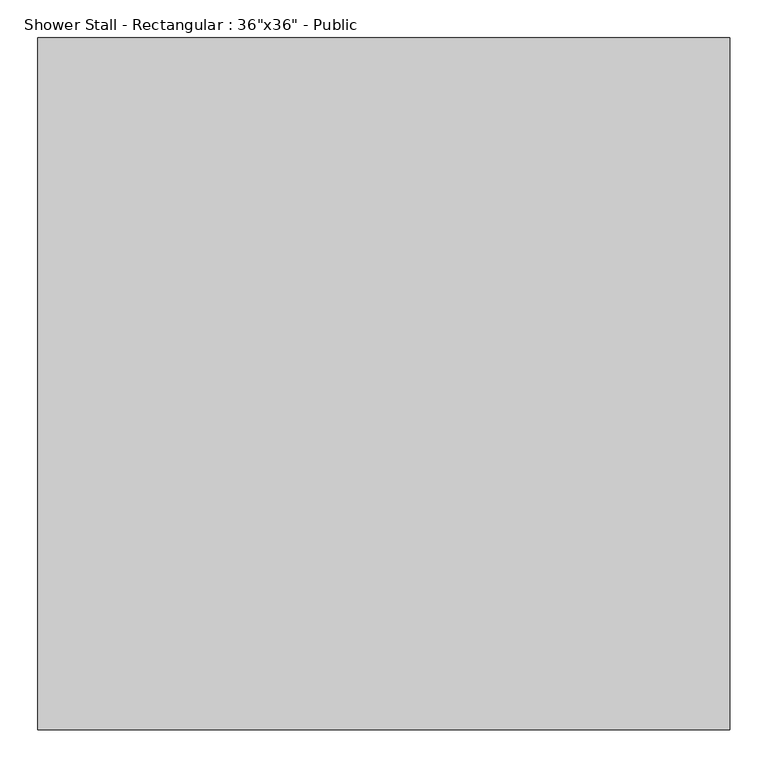
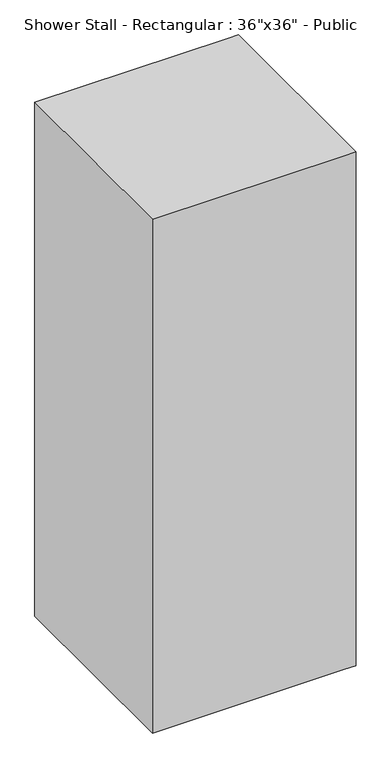
"""IFC4 building model written with IfcOpenShell, lengths in millimetres: flow terminal geometry."""

import ifcopenshell
import ifcopenshell.guid

model = None  # the IFC model being written
_history = None  # IfcOwnerHistory: only IFC2X3 demands one
_inside = {}  # id of a spatial element -> (the spatial element, [elements in it])
_under = {}  # id of a project, library or spatial element -> (it, [spatial elements below it])
_declared = {}  # id of a project -> (the project, [libraries it declares])
_typed = {}  # id of a type object -> (the type object, [elements of that type])
_made_of = {}  # id of a material, layer set ... -> (it, [elements and type objects made of it])


def new_model(schema):
    """Start an empty IFC model of exactly this schema.

    Asked for "IFC4X3", IfcOpenShell would pick the latest addendum, in which some entities
    have other attributes; the version numbers below select the first issue.
    IFC2X3 requires an IfcOwnerHistory on every rooted entity: one is made here for all.
    """
    global model, _history
    if schema == "IFC4X3":
        model = ifcopenshell.file(schema_version=(4, 3, 0, 0))
    else:
        model = ifcopenshell.file(schema=schema)
    _inside.clear()
    _under.clear()
    _declared.clear()
    _typed.clear()
    _made_of.clear()
    _history = None
    if model.schema == "IFC2X3":
        org = make("IfcOrganization", Name="unknown")
        user = make(
            "IfcPersonAndOrganization",
            ThePerson=make("IfcPerson", FamilyName="unknown"),
            TheOrganization=org,
        )
        app = make(
            "IfcApplication",
            ApplicationDeveloper=org,
            Version="unknown",
            ApplicationFullName="unknown",
            ApplicationIdentifier="unknown",
        )
        _history = make(
            "IfcOwnerHistory",
            OwningUser=user,
            OwningApplication=app,
            ChangeAction="ADDED",
            CreationDate=0,
        )
    return model


def make(cls, **values):
    """One entity of the class cls with the attributes given. An attribute that is None is left unset."""
    return model.create_entity(
        cls, **{name: value for name, value in values.items() if value is not None}
    )


def rooted(cls, **values):
    """An entity with a GlobalId (a new one), such as an element, a storey or a relation."""
    return make(cls, GlobalId=ifcopenshell.guid.new(), OwnerHistory=_history, **values)


def si_unit(unit_type, name, prefix=None):
    """IfcSIUnit, for example si_unit("LENGTHUNIT", "METRE", prefix="MILLI")."""
    return make("IfcSIUnit", UnitType=unit_type, Prefix=prefix, Name=name)


def assignment(units):
    """IfcUnitAssignment: the units of a project."""
    return None if units is None else make("IfcUnitAssignment", Units=units)


def point(xyz):
    """IfcCartesianPoint."""
    return None if xyz is None else make("IfcCartesianPoint", Coordinates=xyz)


def direction(xyz):
    """IfcDirection."""
    return None if xyz is None else make("IfcDirection", DirectionRatios=xyz)


def frame(location, z_axis=None, x_axis=None):
    """IfcAxis2Placement3D, a coordinate frame: its origin and axes. An axis left out is left unset."""
    return make(
        "IfcAxis2Placement3D",
        Location=point(location),
        Axis=direction(z_axis),
        RefDirection=direction(x_axis),
    )


def frame_2d(location, x_axis=None):
    """IfcAxis2Placement2D, a coordinate frame in the plane: its origin and x axis."""
    return make(
        "IfcAxis2Placement2D", Location=point(location), RefDirection=direction(x_axis)
    )


def origin():
    """The frame at (0, 0, 0) with its axes left unset."""
    return frame((0.0, 0.0, 0.0))


def origin_with_axes():
    """The frame at (0, 0, 0) with the z axis (0, 0, 1) and the x axis (1, 0, 0) written out."""
    return frame((0.0, 0.0, 0.0), z_axis=(0.0, 0.0, 1.0), x_axis=(1.0, 0.0, 0.0))


def place(relative_to, where):
    """IfcLocalPlacement: puts the frame where relative to a parent placement (None: the world)."""
    return make(
        "IfcLocalPlacement", PlacementRelTo=relative_to, RelativePlacement=where
    )


def context(
    kind, dimensions, precision=None, world=None, true_north=None, identifier=None
):
    """IfcGeometricRepresentationContext, for example the 3D "Model" context."""
    return make(
        "IfcGeometricRepresentationContext",
        ContextIdentifier=identifier,
        ContextType=kind,
        CoordinateSpaceDimension=dimensions,
        Precision=precision,
        WorldCoordinateSystem=world,
        TrueNorth=true_north,
    )


def project(units=None, contexts=None):
    """IfcProject with its units and contexts."""
    return rooted(
        "IfcProject",
        Name="project",
        RepresentationContexts=contexts,
        UnitsInContext=assignment(units),
    )


def spatial(cls, under=None, at=None, **own):
    """A site, building, storey or space (cls), placed at a placement, below another one or the project."""
    s = rooted(cls, ObjectPlacement=at, **own)
    if under is not None:
        _under.setdefault(under.id(), (under, []))[1].append(s)
    return s


def polyline(points):
    """IfcPolyline through the points."""
    return make("IfcPolyline", Points=[point(p) for p in points])


def circle_curve(where, radius):
    """IfcCircle in the frame where."""
    return make("IfcCircle", Position=where, Radius=radius)


def trimmed(basis, trim1, trim2, sense, master):
    """IfcTrimmedCurve: the piece of a basis curve between two trims."""
    return make(
        "IfcTrimmedCurve",
        BasisCurve=basis,
        Trim1=trim1,
        Trim2=trim2,
        SenseAgreement=sense,
        MasterRepresentation=master,
    )


def segment(curve, same_sense, transition):
    """IfcCompositeCurveSegment."""
    return make(
        "IfcCompositeCurveSegment",
        Transition=transition,
        SameSense=same_sense,
        ParentCurve=curve,
    )


def composite_curve(segments, self_intersect=None):
    """IfcCompositeCurve: segments joined end to end."""
    return make("IfcCompositeCurve", Segments=segments, SelfIntersect=self_intersect)


def outline(outer, holes=None, kind="AREA"):
    """IfcArbitraryClosedProfileDef: a profile drawn as a closed curve; with holes, ...WithVoids."""
    if holes is None:
        return make("IfcArbitraryClosedProfileDef", ProfileType=kind, OuterCurve=outer)
    return make(
        "IfcArbitraryProfileDefWithVoids",
        ProfileType=kind,
        OuterCurve=outer,
        InnerCurves=holes,
    )


def extrude(swept, where, along, depth):
    """IfcExtrudedAreaSolid: the profile swept, set in the frame where, extruded along a direction by depth."""
    return make(
        "IfcExtrudedAreaSolid",
        SweptArea=swept,
        Position=where,
        ExtrudedDirection=direction(along),
        Depth=depth,
    )


def faces_of(points, faces, orient=None, outer=None):
    """IfcFace entities. A face is a list of loops; a loop is a list of indices into points, from 0.

    orient and outer hold one flag for each loop. By default every Orientation is true, the
    first loop of a face is its IfcFaceOuterBound and the others are IfcFaceBound.
    """
    made = []
    for i, loops in enumerate(faces):
        bounds = []
        for j, loop in enumerate(loops):
            is_outer = j == 0 if outer is None else outer[i][j]
            bounds.append(
                make(
                    "IfcFaceOuterBound" if is_outer else "IfcFaceBound",
                    Bound=make("IfcPolyLoop", Polygon=[points[k] for k in loop]),
                    Orientation=True if orient is None else orient[i][j],
                )
            )
        made.append(make("IfcFace", Bounds=bounds))
    return made


def faceted_brep(points, faces, orient=None, outer=None, voids=None):
    """IfcFacetedBrep: a solid bounded by flat faces; with voids (closed shells), ...WithVoids."""
    shared = [point(p) for p in points]
    hull = make("IfcClosedShell", CfsFaces=faces_of(shared, faces, orient, outer))
    if voids is None:
        return make("IfcFacetedBrep", Outer=hull)
    return make(
        "IfcFacetedBrepWithVoids",
        Outer=hull,
        Voids=[
            make(cls, CfsFaces=faces_of(shared, fs, o, b)) for cls, fs, o, b in voids
        ],
    )


def shape(context_of_items, identifier, shape_type, items):
    """IfcShapeRepresentation: the items that make up one representation, for example the "Body"."""
    return make(
        "IfcShapeRepresentation",
        ContextOfItems=context_of_items,
        RepresentationIdentifier=identifier,
        RepresentationType=shape_type,
        Items=items,
    )


def source(mapping_origin, context_of_items, identifier, shape_type, items):
    """IfcRepresentationMap: a shape defined once, which mapped items show again and again."""
    return make(
        "IfcRepresentationMap",
        MappingOrigin=mapping_origin,
        MappedRepresentation=shape(context_of_items, identifier, shape_type, items),
    )


def transform(
    local_origin,
    x_axis=None,
    y_axis=None,
    z_axis=None,
    scale=None,
    scale2=None,
    scale3=None,
    uniform=True,
):
    """IfcCartesianTransformationOperator3D, or its non-uniform kind. x_axis, y_axis, z_axis: its Axis1, 2, 3."""
    if uniform:
        return make(
            "IfcCartesianTransformationOperator3D",
            Axis1=direction(x_axis),
            Axis2=direction(y_axis),
            LocalOrigin=point(local_origin),
            Scale=scale,
            Axis3=direction(z_axis),
        )
    return make(
        "IfcCartesianTransformationOperator3DnonUniform",
        Axis1=direction(x_axis),
        Axis2=direction(y_axis),
        LocalOrigin=point(local_origin),
        Scale=scale,
        Axis3=direction(z_axis),
        Scale2=scale2,
        Scale3=scale3,
    )


def mapped(mapping_source, mapping_target):
    """IfcMappedItem: shows the shape of a source again, moved by a transform."""
    return make(
        "IfcMappedItem", MappingSource=mapping_source, MappingTarget=mapping_target
    )


def made_of(thing, what):
    """Note that an element or type object is made of a material, layer set ...; save() writes the relation."""
    if what is not None:
        _made_of.setdefault(what.id(), (what, []))[1].append(thing)
    return thing


def element(
    cls,
    number,
    at=None,
    inside=None,
    cuts=None,
    type_object=None,
    material=None,
    context=None,
    identifier="Body",
    shape_type=None,
    held_by="IfcProductDefinitionShape",
    body=None,
    shapes=None,
    **own,
):
    """One element of the class cls, such as IfcWall. Its Tag is "e" and its number.

    at: its placement. inside: the storey or other place that contains it. cuts: it is an
    opening in that element (IfcRelVoidsElement). A single representation is given by context,
    identifier, shape_type and body (its items); several are given by shapes. held_by: the class
    of the entity that holds the representations. save() writes the other relations.
    """
    e = rooted(cls, Tag="e%d" % number, ObjectPlacement=at, **own)
    if body is not None:
        shapes = [shape(context, identifier, shape_type, body)]
    if shapes is not None:
        e.Representation = make(held_by, Representations=shapes)
    if inside is not None:
        _inside.setdefault(inside.id(), (inside, []))[1].append(e)
    if cuts is not None:
        rooted(
            "IfcRelVoidsElement", RelatingBuildingElement=cuts, RelatedOpeningElement=e
        )
    if type_object is not None:
        _typed.setdefault(type_object.id(), (type_object, []))[1].append(e)
    return made_of(e, material)


def aggregate(whole, parts):
    """IfcRelAggregates: a whole, such as a stair, and the parts it consists of."""
    return rooted("IfcRelAggregates", RelatingObject=whole, RelatedObjects=parts)


def save(model, path):
    """Write the relations noted so far, then the file.

    IfcRelAggregates (storeys below a building ...), IfcRelContainedInSpatialStructure (elements
    in a storey), IfcRelDefinesByType, IfcRelAssociatesMaterial and IfcRelDeclares: one each for
    every whole, place, type object, material and project.
    """
    for whole, parts in _under.values():
        aggregate(whole, parts)
    for where, things in _inside.values():
        rooted(
            "IfcRelContainedInSpatialStructure",
            RelatedElements=things,
            RelatingStructure=where,
        )
    for kind, things in _typed.values():
        rooted("IfcRelDefinesByType", RelatedObjects=things, RelatingType=kind)
    for what, things in _made_of.values():
        rooted("IfcRelAssociatesMaterial", RelatedObjects=things, RelatingMaterial=what)
    for by, libraries in _declared.values():
        rooted("IfcRelDeclares", RelatingContext=by, RelatedDefinitions=libraries)
    model.write(path)


def flow_terminal_49e63143(model_context):
    return source(origin(), model_context, "Body", "SolidModel", [
        extrude(outline(composite_curve([segment(trimmed(circle_curve(frame_2d((457.2, -457.2)), 31.75), [point((425.45, -457.2))], [point((488.95, -457.2))], False, "CARTESIAN"), True, "CONTINUOUS"), segment(trimmed(circle_curve(frame_2d((457.2, -457.2)), 31.75), [point((488.95, -457.2))], [point((425.45, -457.2))], False, "CARTESIAN"), True, "CONTINUOUS")], self_intersect=False)), origin_with_axes(), (0.0, 0.0, 1.0), 101.6),
        faceted_brep([(0.0, -914.4, 2438.4), (863.6, -914.4, 2438.4), (914.4, -914.4, 2438.4), (914.4, 0.0, 2438.4), (863.6, 0.0, 2438.4), (0.0, 0.0, 2438.4), (0.0, 0.0, 0.0), (863.6, 0.0, 0.0), (914.4, 0.0, 0.0), (914.4, -914.4, 0.0), (863.6, -914.4, 0.0), (0.0, -914.4, 0.0), (914.4, -171.45, 2362.2), (914.4, -171.45, 101.6), (914.4, -742.95, 101.6), (914.4, -742.95, 2362.2), (50.8, -863.6, 2362.2), (50.8, -863.6, 101.6), (50.8, -50.8, 101.6), (50.8, -50.8, 2362.2), (863.6, -50.8, 2362.2), (863.6, -171.45, 2362.2), (863.6, -742.95, 2362.2), (863.6, -863.6, 2362.2), (863.6, -50.8, 101.6), (863.6, -863.6, 101.6), (863.6, -742.95, 101.6), (863.6, -171.45, 101.6)], [[[0, 1, 2, 3, 4, 5]], [[6, 7, 8, 9, 10, 11]], [[2, 1, 0, 11, 10, 9]], [[5, 6, 11, 0]], [[5, 4, 3, 8, 7, 6]], [[9, 8, 3, 2], [12, 13, 14, 15]], [[16, 17, 18, 19]], [[19, 20, 21, 12, 15, 22, 23, 16]], [[18, 24, 20, 19]], [[17, 25, 26, 14, 13, 27, 24, 18]], [[16, 23, 25, 17]], [[26, 25, 23, 22]], [[14, 26, 22, 15]], [[12, 21, 27, 13]], [[21, 20, 24, 27]]]),
        extrude(outline(polyline([(901.7, -742.95), (869.95, -742.95), (869.95, -736.6), (895.35, -736.6), (895.35, -177.8), (869.95, -177.8), (869.95, -171.45), (901.7, -171.45), (901.7, -742.95)])), frame((0.0, 0.0, 762.0), z_axis=(0.0, 0.0, 1.0), x_axis=(1.0, 0.0, 0.0)), (0.0, 0.0, 1.0), 76.2),
        extrude(outline(polyline([(869.95, -742.95), (863.6, -742.95), (863.6, -171.45), (869.95, -171.45), (869.95, -742.95)])), frame((0.0, 0.0, 101.6), z_axis=(0.0, 0.0, 1.0), x_axis=(1.0, 0.0, 0.0)), (0.0, 0.0, 1.0), 2260.6),
    ])


if __name__ == "__main__":
    model = new_model("IFC4")
    model_context = context("Model", 3, world=origin())
    ifc_project = project(units=[si_unit("LENGTHUNIT", "METRE", prefix="MILLI")], contexts=[model_context])
    site = spatial("IfcSite", under=ifc_project)
    building = spatial("IfcBuilding", under=site)
    placement = place(None, origin())
    flow_terminal_shape = flow_terminal_49e63143(model_context)
    element("IfcFlowTerminal", 1, ObjectType="Shower Stall - Rectangular : 36\"x36\" - Public", at=placement, inside=building, context=model_context, shape_type="MappedRepresentation", body=[
        mapped(flow_terminal_shape, transform((0.0, 0.0, 0.0), x_axis=(1.0, 0.0, 0.0), y_axis=(0.0, 1.0, 0.0), z_axis=(0.0, 0.0, 1.0))),
    ])
    save(model, "model.ifc")
